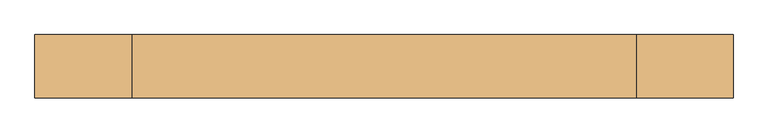
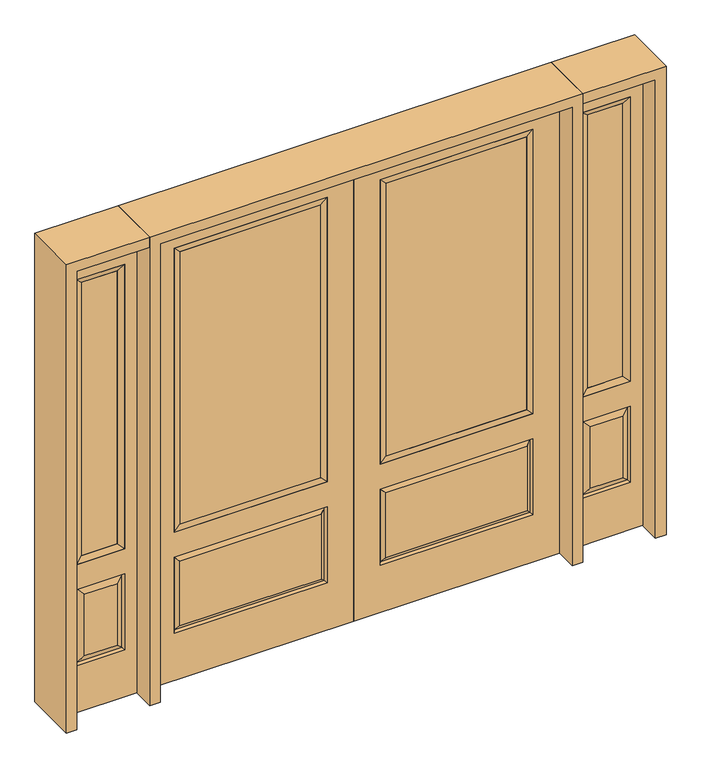
"""IFC4 building model written with IfcOpenShell, lengths in millimetres: door geometry."""

from ifc_helpers import new_model, si_unit, frame, origin, place, context, project, spatial, polyline, outline, extrude, faceted_brep, source, transform, mapped, element, save


def door_4cdb6b0c(model_context):
    return source(origin(), model_context, "Body", "SolidModel", [
        faceted_brep([(745.3661499, -12.7912373, 216.6588501), (727.86875, -22.225, 234.15625), (135.73125, -22.225, 234.15625), (118.2338501, -12.7912373, 216.6588501), (111.125, -22.225, 209.55), (752.475, -22.225, 209.55), (752.475, -22.225, 546.1), (745.3661499, -12.7912373, 538.9911499), (0.0, -22.225, 2032.0), (0.0, -22.225, 0.0), (863.6, -22.225, 0.0), (863.6, -22.225, 2032.0), (111.125, -22.225, 546.1), (111.125, -22.225, 1917.7), (752.475, -22.225, 1917.7), (752.475, -22.225, 657.098), (111.125, -22.225, 657.098), (727.86875, -22.225, 521.49375), (135.73125, -22.225, 521.49375), (118.2338501, -12.7912373, 538.9911499), (863.6, 22.225, 0.0), (863.6, 22.225, 2032.0), (0.0, 22.225, 0.0), (0.0, 22.225, 2032.0), (111.125, 22.225, 657.098), (111.125, 22.225, 1917.7), (752.475, 22.225, 657.098), (752.475, 22.225, 1917.7), (135.73125, 22.225, 234.15625), (135.73125, 22.225, 521.49375), (727.86875, 22.225, 521.49375), (727.86875, 22.225, 234.15625), (752.475, 22.225, 209.55), (752.475, 22.225, 546.1), (111.125, 22.225, 546.1), (111.125, 22.225, 209.55), (118.2338501, 12.7912373, 216.6588501), (745.3661499, 12.7912373, 216.6588501), (118.2338501, 12.7912373, 538.9911499), (745.3661499, 12.7912373, 538.9911499)], [[[0, 1, 2, 3]], [[3, 4, 5, 0]], [[5, 6, 7, 0]], [[8, 9, 10, 11], [4, 12, 6, 5], [13, 14, 15, 16]], [[1, 17, 18, 2]], [[3, 19, 12, 4]], [[2, 18, 19, 3]], [[0, 7, 17, 1]], [[6, 12, 19, 7]], [[7, 19, 18, 17]], [[10, 20, 21, 11]], [[9, 22, 20, 10]], [[8, 23, 22, 9]], [[16, 24, 25, 13]], [[15, 26, 24, 16]], [[14, 27, 26, 15]], [[28, 29, 30, 31]], [[23, 21, 20, 22], [25, 24, 26, 27], [32, 33, 34, 35]], [[32, 35, 36, 37]], [[35, 34, 38, 36]], [[39, 38, 34, 33]], [[37, 39, 33, 32]], [[36, 28, 31, 37]], [[31, 30, 39, 37]], [[30, 29, 38, 39]], [[36, 38, 29, 28]], [[11, 21, 23, 8]], [[13, 25, 27, 14]]]),
        faceted_brep([(752.475, -22.225, 1917.7), (752.475, -22.225, 657.098), (752.475, 22.225, 657.098), (752.475, 22.225, 1917.7), (111.125, -22.225, 657.098), (111.125, 22.225, 657.098), (136.525, 5.08, 682.498), (727.075, 5.08, 682.498), (111.125, -22.225, 1917.7), (111.125, 22.225, 1917.7), (727.075, -20.32, 682.498), (136.525, -20.32, 682.498), (727.075, -20.32, 1892.3), (136.525, -20.32, 1892.3), (727.075, 5.08, 1892.3), (136.525, 5.08, 1892.3)], [[[0, 1, 2, 3]], [[1, 4, 5, 2]], [[2, 5, 6, 7]], [[4, 8, 9, 5]], [[10, 11, 4, 1]], [[12, 10, 1, 0]], [[11, 13, 8, 4]], [[7, 6, 11, 10]], [[14, 7, 10, 12]], [[6, 15, 13, 11]], [[3, 2, 7, 14]], [[5, 9, 15, 6]], [[8, 0, 3, 9]], [[13, 12, 0, 8]], [[15, 14, 12, 13]], [[9, 3, 14, 15]]]),
        extrude(outline(polyline([(136.525, -20.32), (136.525, 5.08), (727.075, 5.08), (727.075, -20.32), (136.525, -20.32)])), frame((0.0, 0.0, 682.498), z_axis=(0.0, 0.0, 1.0), x_axis=(1.0, 0.0, 0.0)), (0.0, 0.0, 1.0), 1209.802),
        faceted_brep([(908.05, -22.225, 0.0), (1212.85, -22.225, 0.0), (1212.85, -22.225, 2032.0), (908.05, -22.225, 2032.0), (1160.78, -22.225, 1919.224), (1160.78, -22.225, 657.098), (960.12, -22.225, 657.098), (960.12, -22.225, 1919.224), (1160.78, -22.225, 209.55), (960.12, -22.225, 209.55), (960.12, -22.225, 546.1), (1160.78, -22.225, 546.1), (991.8351001, -22.225, 241.2651001), (1129.0648999, -22.225, 241.2651001), (1129.0648999, -22.225, 514.3848999), (991.8351001, -22.225, 514.3848999), (908.05, 22.225, 0.0), (908.05, 22.225, 2032.0), (1212.85, 22.225, 2032.0), (1212.85, 22.225, 0.0), (1160.78, 22.225, 1919.224), (960.12, 22.225, 1919.224), (960.12, 22.225, 657.098), (1160.78, 22.225, 657.098), (960.12, 22.225, 209.55), (1160.78, 22.225, 209.55), (1160.78, 22.225, 546.1), (960.12, 22.225, 546.1), (1129.0648999, 22.225, 241.2651001), (991.8351001, 22.225, 241.2651001), (991.8351001, 22.225, 514.3848999), (1129.0648999, 22.225, 514.3848999), (1153.6711499, 12.7912373, 216.6588501), (967.2288501, 12.7912373, 216.6588501), (967.2288501, 12.7912373, 538.9911499), (1153.6711499, 12.7912373, 538.9911499), (967.2288501, -12.7912373, 216.6588501), (1153.6711499, -12.7912373, 216.6588501), (967.2288501, -12.7912373, 538.9911499), (1153.6711499, -12.7912373, 538.9911499)], [[[0, 1, 2, 3], [4, 5, 6, 7], [8, 9, 10, 11]], [[12, 13, 14, 15]], [[16, 17, 18, 19], [20, 21, 22, 23], [24, 25, 26, 27]], [[28, 29, 30, 31]], [[1, 0, 16, 19]], [[2, 1, 19, 18]], [[3, 2, 18, 17]], [[0, 3, 17, 16]], [[5, 4, 20, 23]], [[6, 5, 23, 22]], [[7, 6, 22, 21]], [[4, 7, 21, 20]], [[32, 33, 29, 28]], [[33, 32, 25, 24]], [[29, 33, 34, 30]], [[33, 24, 27, 34]], [[30, 34, 35, 31]], [[34, 27, 26, 35]], [[32, 28, 31, 35]], [[25, 32, 35, 26]], [[12, 36, 37, 13]], [[37, 36, 9, 8]], [[36, 12, 15, 38]], [[9, 36, 38, 10]], [[38, 15, 14, 39]], [[10, 38, 39, 11]], [[13, 37, 39, 14]], [[37, 8, 11, 39]]]),
        faceted_brep([(960.12, 22.225, 1919.224), (960.12, -22.225, 1919.224), (1160.78, -22.225, 1919.224), (1160.78, 22.225, 1919.224), (985.52, 12.7, 1893.824), (1135.38, 12.7, 1893.824), (985.52, -12.7, 1893.824), (1135.38, -12.7, 1893.824), (1160.78, -22.225, 657.098), (1160.78, 22.225, 657.098), (1135.38, 12.7, 682.498), (1135.38, -12.7, 682.498), (960.12, -22.225, 657.098), (960.12, 22.225, 657.098), (985.52, 12.7, 682.498), (985.52, -12.7, 682.498)], [[[0, 1, 2, 3]], [[4, 0, 3, 5]], [[6, 4, 5, 7]], [[1, 6, 7, 2]], [[3, 2, 8, 9]], [[5, 3, 9, 10]], [[7, 5, 10, 11]], [[2, 7, 11, 8]], [[9, 8, 12, 13]], [[10, 9, 13, 14]], [[11, 10, 14, 15]], [[8, 11, 15, 12]], [[13, 12, 1, 0]], [[14, 13, 0, 4]], [[15, 14, 4, 6]], [[12, 15, 6, 1]]]),
        extrude(outline(polyline([(1135.38, -12.7), (985.52, -12.7), (985.52, 12.7), (1135.38, 12.7), (1135.38, -12.7)])), frame((0.0, 0.0, 682.498), z_axis=(0.0, 0.0, 1.0), x_axis=(1.0, 0.0, 0.0)), (0.0, 0.0, 1.0), 1211.326),
        faceted_brep([(-1212.85, -22.225, 0.0), (-908.05, -22.225, 0.0), (-908.05, -22.225, 2032.0), (-1212.85, -22.225, 2032.0), (-960.12, -22.225, 1919.224), (-960.12, -22.225, 657.098), (-1160.78, -22.225, 657.098), (-1160.78, -22.225, 1919.224), (-960.12, -22.225, 209.55), (-1160.78, -22.225, 209.55), (-1160.78, -22.225, 546.1), (-960.12, -22.225, 546.1), (-1129.0648999, -22.225, 241.2651001), (-991.8351001, -22.225, 241.2651001), (-991.8351001, -22.225, 514.3848999), (-1129.0648999, -22.225, 514.3848999), (-1212.85, 22.225, 0.0), (-1212.85, 22.225, 2032.0), (-908.05, 22.225, 2032.0), (-908.05, 22.225, 0.0), (-960.12, 22.225, 1919.224), (-1160.78, 22.225, 1919.224), (-1160.78, 22.225, 657.098), (-960.12, 22.225, 657.098), (-1160.78, 22.225, 209.55), (-960.12, 22.225, 209.55), (-960.12, 22.225, 546.1), (-1160.78, 22.225, 546.1), (-991.8351001, 22.225, 241.2651001), (-1129.0648999, 22.225, 241.2651001), (-1129.0648999, 22.225, 514.3848999), (-991.8351001, 22.225, 514.3848999), (-967.2288501, 12.7912373, 216.6588501), (-1153.6711499, 12.7912373, 216.6588501), (-1153.6711499, 12.7912373, 538.9911499), (-967.2288501, 12.7912373, 538.9911499), (-1153.6711499, -12.7912373, 216.6588501), (-967.2288501, -12.7912373, 216.6588501), (-1153.6711499, -12.7912373, 538.9911499), (-967.2288501, -12.7912373, 538.9911499)], [[[0, 1, 2, 3], [4, 5, 6, 7], [8, 9, 10, 11]], [[12, 13, 14, 15]], [[16, 17, 18, 19], [20, 21, 22, 23], [24, 25, 26, 27]], [[28, 29, 30, 31]], [[1, 0, 16, 19]], [[2, 1, 19, 18]], [[3, 2, 18, 17]], [[0, 3, 17, 16]], [[5, 4, 20, 23]], [[6, 5, 23, 22]], [[7, 6, 22, 21]], [[4, 7, 21, 20]], [[32, 33, 29, 28]], [[33, 32, 25, 24]], [[29, 33, 34, 30]], [[33, 24, 27, 34]], [[30, 34, 35, 31]], [[34, 27, 26, 35]], [[32, 28, 31, 35]], [[25, 32, 35, 26]], [[12, 36, 37, 13]], [[37, 36, 9, 8]], [[36, 12, 15, 38]], [[9, 36, 38, 10]], [[38, 15, 14, 39]], [[10, 38, 39, 11]], [[13, 37, 39, 14]], [[37, 8, 11, 39]]]),
        faceted_brep([(-1160.78, 22.225, 1919.224), (-1160.78, -22.225, 1919.224), (-960.12, -22.225, 1919.224), (-960.12, 22.225, 1919.224), (-1135.38, 12.7, 1893.824), (-985.52, 12.7, 1893.824), (-1135.38, -12.7, 1893.824), (-985.52, -12.7, 1893.824), (-960.12, -22.225, 657.098), (-960.12, 22.225, 657.098), (-985.52, 12.7, 682.498), (-985.52, -12.7, 682.498), (-1160.78, -22.225, 657.098), (-1160.78, 22.225, 657.098), (-1135.38, 12.7, 682.498), (-1135.38, -12.7, 682.498)], [[[0, 1, 2, 3]], [[4, 0, 3, 5]], [[6, 4, 5, 7]], [[1, 6, 7, 2]], [[3, 2, 8, 9]], [[5, 3, 9, 10]], [[7, 5, 10, 11]], [[2, 7, 11, 8]], [[9, 8, 12, 13]], [[10, 9, 13, 14]], [[11, 10, 14, 15]], [[8, 11, 15, 12]], [[13, 12, 1, 0]], [[14, 13, 0, 4]], [[15, 14, 4, 6]], [[12, 15, 6, 1]]]),
        extrude(outline(polyline([(-985.52, -12.7), (-1135.38, -12.7), (-1135.38, 12.7), (-985.52, 12.7), (-985.52, -12.7)])), frame((0.0, 0.0, 682.498), z_axis=(0.0, 0.0, 1.0), x_axis=(1.0, 0.0, 0.0)), (0.0, 0.0, 1.0), 1211.326),
        faceted_brep([(-745.3661499, -12.7912373, 216.6588501), (-118.2338501, -12.7912373, 216.6588501), (-135.73125, -22.225, 234.15625), (-727.86875, -22.225, 234.15625), (-752.475, -22.225, 209.55), (-111.125, -22.225, 209.55), (-745.3661499, -12.7912373, 538.9911499), (-752.475, -22.225, 546.1), (-135.73125, -22.225, 521.49375), (-727.86875, -22.225, 521.49375), (0.0, -22.225, 2032.0), (-863.6, -22.225, 2032.0), (-863.6, -22.225, 0.0), (0.0, -22.225, 0.0), (-111.125, -22.225, 546.1), (-111.125, -22.225, 1917.7), (-111.125, -22.225, 657.098), (-752.475, -22.225, 657.098), (-752.475, -22.225, 1917.7), (-118.2338501, -12.7912373, 538.9911499), (-863.6, 22.225, 2032.0), (-863.6, 22.225, 0.0), (0.0, 22.225, 0.0), (0.0, 22.225, 2032.0), (-111.125, 22.225, 1917.7), (-111.125, 22.225, 657.098), (-752.475, 22.225, 657.098), (-752.475, 22.225, 1917.7), (-752.475, 22.225, 209.55), (-111.125, 22.225, 209.55), (-111.125, 22.225, 546.1), (-752.475, 22.225, 546.1), (-135.73125, 22.225, 234.15625), (-727.86875, 22.225, 234.15625), (-727.86875, 22.225, 521.49375), (-135.73125, 22.225, 521.49375), (-745.3661499, 12.7912373, 216.6588501), (-118.2338501, 12.7912373, 216.6588501), (-118.2338501, 12.7912373, 538.9911499), (-745.3661499, 12.7912373, 538.9911499)], [[[0, 1, 2, 3]], [[1, 0, 4, 5]], [[4, 0, 6, 7]], [[3, 2, 8, 9]], [[10, 11, 12, 13], [5, 4, 7, 14], [15, 16, 17, 18]], [[1, 5, 14, 19]], [[2, 1, 19, 8]], [[0, 3, 9, 6]], [[7, 6, 19, 14]], [[6, 9, 8, 19]], [[12, 11, 20, 21]], [[13, 12, 21, 22]], [[10, 13, 22, 23]], [[16, 15, 24, 25]], [[17, 16, 25, 26]], [[18, 17, 26, 27]], [[23, 22, 21, 20], [28, 29, 30, 31], [24, 27, 26, 25]], [[32, 33, 34, 35]], [[28, 36, 37, 29]], [[29, 37, 38, 30]], [[39, 31, 30, 38]], [[36, 28, 31, 39]], [[37, 36, 33, 32]], [[33, 36, 39, 34]], [[34, 39, 38, 35]], [[37, 32, 35, 38]], [[11, 10, 23, 20]], [[15, 18, 27, 24]]]),
        faceted_brep([(-752.475, -22.225, 1917.7), (-752.475, 22.225, 1917.7), (-752.475, 22.225, 657.098), (-752.475, -22.225, 657.098), (-111.125, 22.225, 657.098), (-111.125, -22.225, 657.098), (-727.075, 5.08, 682.498), (-136.525, 5.08, 682.498), (-111.125, 22.225, 1917.7), (-111.125, -22.225, 1917.7), (-727.075, -20.32, 682.498), (-136.525, -20.32, 682.498), (-727.075, -20.32, 1892.3), (-136.525, -20.32, 1892.3), (-727.075, 5.08, 1892.3), (-136.525, 5.08, 1892.3)], [[[0, 1, 2, 3]], [[3, 2, 4, 5]], [[2, 6, 7, 4]], [[5, 4, 8, 9]], [[10, 3, 5, 11]], [[12, 0, 3, 10]], [[11, 5, 9, 13]], [[6, 10, 11, 7]], [[14, 12, 10, 6]], [[7, 11, 13, 15]], [[1, 14, 6, 2]], [[4, 7, 15, 8]], [[9, 8, 1, 0]], [[13, 9, 0, 12]], [[15, 13, 12, 14]], [[8, 15, 14, 1]]]),
        extrude(outline(polyline([(-136.525, -20.32), (-727.075, -20.32), (-727.075, 5.08), (-136.525, 5.08), (-136.525, -20.32)])), frame((0.0, 0.0, 682.498), z_axis=(0.0, 0.0, 1.0), x_axis=(1.0, 0.0, 0.0)), (0.0, 0.0, 1.0), 1209.802),
        extrude(outline(polyline([(2032.0, -908.05), (2076.45, -908.05), (2076.45, -1257.3), (0.0, -1257.3), (0.0, -1212.85), (2032.0, -1212.85), (2032.0, -908.05)])), frame((0.0, -114.3, 0.0), z_axis=(0.0, 1.0, 0.0), x_axis=(0.0, 0.0, 1.0)), (0.0, 0.0, 1.0), 228.6),
        extrude(outline(polyline([(2076.45, -908.05), (0.0, -908.05), (0.0, -863.6), (2032.0, -863.6), (2032.0, 863.6), (0.0, 863.6), (0.0, 908.05), (2076.45, 908.05), (2076.45, -908.05)])), frame((0.0, -114.3, 0.0), z_axis=(0.0, 1.0, 0.0), x_axis=(0.0, 0.0, 1.0)), (0.0, 0.0, 1.0), 228.6),
        extrude(outline(polyline([(0.0, 1212.85), (0.0, 1257.3), (2076.45, 1257.3), (2076.45, 908.05), (2032.0, 908.05), (2032.0, 1212.85), (0.0, 1212.85)])), frame((0.0, -114.3, 0.0), z_axis=(0.0, 1.0, 0.0), x_axis=(0.0, 0.0, 1.0)), (0.0, 0.0, 1.0), 228.6),
    ])


if __name__ == "__main__":
    model = new_model("IFC4")
    model_context = context("Model", 3, world=origin())
    ifc_project = project(units=[si_unit("LENGTHUNIT", "METRE", prefix="MILLI")], contexts=[model_context])
    site = spatial("IfcSite", under=ifc_project)
    building = spatial("IfcBuilding", under=site)
    placement = place(None, origin())
    door_shape = door_4cdb6b0c(model_context)
    element("IfcDoor", 1, at=placement, inside=building, context=model_context, shape_type="MappedRepresentation", body=[
        mapped(door_shape, transform((0.0, 0.0, 0.0), x_axis=(1.0, 0.0, 0.0), y_axis=(0.0, 1.0, 0.0), z_axis=(0.0, 0.0, 1.0))),
    ])
    save(model, "model.ifc")
